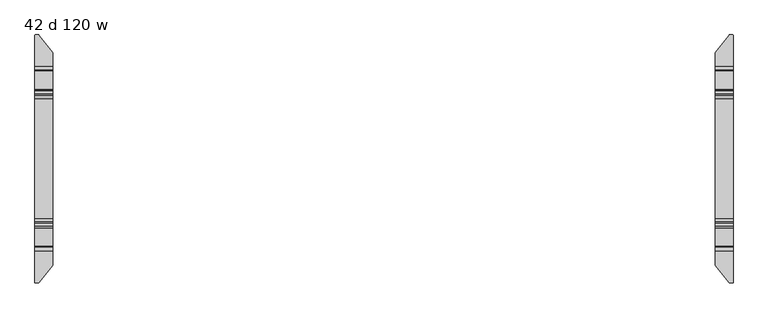
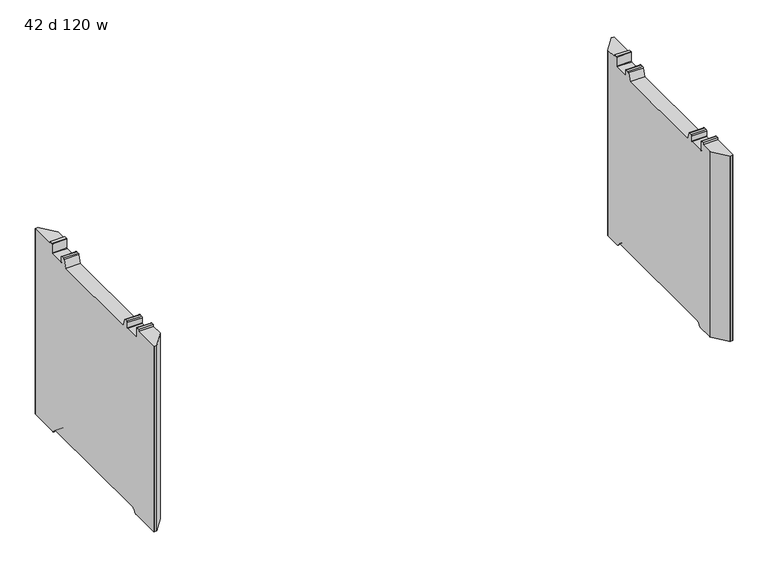
"""IFC4 building model written with IfcOpenShell, lengths in millimetres: furniture geometry, 42 d 120 w."""

from ifc_helpers import new_model, si_unit, frame, origin, place, context, project, spatial, polyline, circle_curve, source, transform, mapped, element, save
from ifc_brep_helpers import plane_surface, cylinder_surface, revolved_surface, advanced_brep


def furniture_42_d_120_w_6ad7f459(model_context):
    return source(origin(), model_context, "Body", "AdvancedBrep", [
        advanced_brep(
        [(-1475.1161014, 529.956006, 12.2237497), (-1473.4757746, 529.1624669, 12.2237497), (-1414.2991168, 454.41303, 12.2237497), (-1413.7789661, 452.9179953, 12.2237497), (-1413.7789661, 371.1587399, 12.2237497), (-1489.9632694, 371.1587399, 12.2237497), (-1489.9632694, 528.3791145, 12.2237497), (-1488.3863779, 529.956006, 12.2237497), (-1413.7789661, -452.9179953, 12.2237497), (-1414.2991168, -454.41303, 12.2237497), (-1473.4757746, -529.1624669, 12.2237497), (-1475.1161014, -529.956006, 12.2237497), (-1488.3863779, -529.956006, 12.2237497), (-1489.9632694, -528.3791145, 12.2237497), (-1489.9632694, -371.1587399, 12.2237497), (-1413.7789661, -371.1587399, 12.2237497), (-1488.3863779, 529.956006, 1021.0901447), (-1475.1161014, 529.956006, 1021.0901447), (-1489.9632694, 528.3791145, 1021.0901447), (-1489.9632694, 365.9594731, 14.3773565), (-1489.9632694, 349.4848361, 30.8519935), (-1489.9632694, 344.250421, 33.0201593), (-1489.9632694, -344.250421, 33.0201593), (-1489.9632694, -349.4848361, 30.8519935), (-1489.9632694, -365.9594731, 14.3773565), (-1489.9632694, -528.3791145, 1021.0901447), (-1489.9632694, -394.3440074, 1021.0901447), (-1489.9632694, -394.3440074, 1032.1001558), (-1489.9632694, -378.4559965, 1032.1001558), (-1489.9632694, -376.4560005, 1030.1001598), (-1489.9632694, -376.4560005, 980.6251456), (-1489.9632694, -374.4560045, 978.6251495), (-1489.9632694, -296.4560008, 978.6251495), (-1489.9632694, -294.4560002, 980.6251501), (-1489.9632694, -294.4560002, 1008.6251352), (-1489.9632694, -289.455942, 1013.6251934), (-1489.9632694, -275.9023259, 1013.6251934), (-1489.9632694, -269.935277, 1009.4470192), (-1489.9632694, -255.8052798, 970.6251291), (-1489.9632694, 255.8052798, 970.6251291), (-1489.9632694, 269.935277, 1009.4470192), (-1489.9632694, 275.9023259, 1013.6251934), (-1489.9632694, 289.455942, 1013.6251934), (-1489.9632694, 294.4560002, 1008.6251352), (-1489.9632694, 294.4560002, 980.6251501), (-1489.9632694, 296.4560008, 978.6251495), (-1489.9632694, 374.4560045, 978.6251495), (-1489.9632694, 376.4560005, 980.6251456), (-1489.9632694, 376.4560005, 1030.1001598), (-1489.9632694, 378.4559965, 1032.1001558), (-1489.9632694, 394.3440074, 1032.1001558), (-1489.9632694, 394.3440074, 1021.0901447), (-1488.3863779, -529.956006, 1021.0901447), (-1475.1161014, -529.956006, 1021.0901447), (-1473.4757746, -529.1624669, 1021.0901447), (-1414.2991168, -454.41303, 1021.0901447), (-1413.7789661, -452.9179953, 1021.0901447), (-1413.7789661, -365.9594731, 14.3773565), (-1413.7789661, -349.4848361, 30.8519935), (-1413.7789661, -344.250421, 33.0201593), (-1413.7789661, 344.250421, 33.0201593), (-1413.7789661, 349.4848361, 30.8519935), (-1413.7789661, 365.9594731, 14.3773565), (-1413.7789661, 452.9179953, 1021.0901447), (-1413.7789661, 394.3440074, 1021.0901447), (-1413.7789661, 394.3440074, 1032.1001558), (-1413.7789661, 378.4559965, 1032.1001558), (-1413.7789661, 376.4560005, 1030.1001598), (-1413.7789661, 376.4560005, 980.6251456), (-1413.7789661, 374.4560045, 978.6251495), (-1413.7789661, 296.4560008, 978.6251495), (-1413.7789661, 294.4560002, 980.6251501), (-1413.7789661, 294.4560002, 1008.6251352), (-1413.7789661, 289.455942, 1013.6251934), (-1413.7789661, 275.9023259, 1013.6251934), (-1413.7789661, 269.935277, 1009.4470192), (-1413.7789661, 255.8052798, 970.6251291), (-1413.7789661, -255.8052798, 970.6251291), (-1413.7789661, -269.935277, 1009.4470192), (-1413.7789661, -275.9023259, 1013.6251934), (-1413.7789661, -289.455942, 1013.6251934), (-1413.7789661, -294.4560002, 1008.6251352), (-1413.7789661, -294.4560002, 980.6251501), (-1413.7789661, -296.4560008, 978.6251495), (-1413.7789661, -374.4560045, 978.6251495), (-1413.7789661, -376.4560005, 980.6251456), (-1413.7789661, -376.4560005, 1030.1001598), (-1413.7789661, -378.4559965, 1032.1001558), (-1413.7789661, -394.3440074, 1032.1001558), (-1413.7789661, -394.3440074, 1021.0901447), (-1414.2991168, 454.41303, 1021.0901447), (-1473.4757746, 529.1624669, 1021.0901447)],
        [
            (0, 1, circle_curve(frame((-1475.1161014, 527.8638745, 12.2237497), z_axis=(0.0, 0.0, -1.0), x_axis=(-1.0, 0.0, 0.0)), 2.0921315)),
            (1, 2),
            (2, 3, circle_curve(frame((-1416.187581, 452.9179953, 12.2237497), z_axis=(0.0, 0.0, -1.0), x_axis=(-1.0, 0.0, 0.0)), 2.4086149)),
            (3, 4),
            (4, 5),
            (5, 6),
            (6, 7, circle_curve(frame((-1488.3863779, 528.3791145, 12.2237497), z_axis=(0.0, 0.0, -1.0), x_axis=(-1.0, 0.0, 0.0)), 1.5768915)),
            (7, 0),
            (8, 9, circle_curve(frame((-1416.187581, -452.9179953, 12.2237497), z_axis=(0.0, 0.0, -1.0), x_axis=(-1.0, 0.0, 0.0)), 2.4086149)),
            (9, 10),
            (10, 11, circle_curve(frame((-1475.1161014, -527.8638745, 12.2237497), z_axis=(0.0, 0.0, -1.0), x_axis=(-1.0, 0.0, 0.0)), 2.0921315)),
            (11, 12),
            (12, 13, circle_curve(frame((-1488.3863779, -528.3791145, 12.2237497), z_axis=(0.0, 0.0, -1.0), x_axis=(-1.0, 0.0, 0.0)), 1.5768915)),
            (13, 14),
            (14, 15),
            (15, 8),
            (7, 16),
            (16, 17),
            (17, 0),
            (6, 18),
            (18, 16, circle_curve(frame((-1488.3863779, 528.3791145, 1021.0901447), z_axis=(0.0, 0.0, -1.0), x_axis=(-1.0, 0.0, 0.0)), 1.5768915)),
            (5, 19, circle_curve(frame((-1489.9632694, 371.1587399, 19.5766232), z_axis=(-1.0, 0.0, 0.0), x_axis=(0.0, -1.0, 0.0)), 7.3528735)),
            (19, 20),
            (20, 21, circle_curve(frame((-1489.9632694, 344.250421, 25.6175784), z_axis=(1.0, 0.0, 0.0), x_axis=(0.0, -1.0, 0.0)), 7.4025809)),
            (21, 22),
            (22, 23, circle_curve(frame((-1489.9632694, -344.250421, 25.6175784), z_axis=(1.0, 0.0, 0.0), x_axis=(0.0, -1.0, 0.0)), 7.4025809)),
            (23, 24),
            (24, 14, circle_curve(frame((-1489.9632694, -371.1587399, 19.5766232), z_axis=(-1.0, 0.0, 0.0), x_axis=(0.0, -1.0, 0.0)), 7.3528735)),
            (13, 25),
            (25, 26),
            (26, 27),
            (27, 28),
            (28, 29, circle_curve(frame((-1489.9632694, -378.4559965, 1030.1001598), z_axis=(-1.0, 0.0, 0.0), x_axis=(0.0, -1.0, 0.0)), 1.999996)),
            (29, 30),
            (30, 31, circle_curve(frame((-1489.9632694, -374.4560045, 980.6251456), z_axis=(1.0, 0.0, 0.0), x_axis=(0.0, -1.0, 0.0)), 1.999996)),
            (31, 32),
            (32, 33, circle_curve(frame((-1489.9632694, -296.4560008, 980.6251501), z_axis=(1.0, 0.0, 0.0), x_axis=(0.0, -1.0, 0.0)), 2.0000006)),
            (33, 34),
            (34, 35, circle_curve(frame((-1489.9632694, -289.455942, 1008.6251352), z_axis=(-1.0, 0.0, 0.0), x_axis=(0.0, -1.0, 0.0)), 5.0000582)),
            (35, 36),
            (36, 37, circle_curve(frame((-1489.9632694, -275.9023259, 1007.2751934), z_axis=(-1.0, 0.0, 0.0), x_axis=(0.0, -1.0, 0.0)), 6.35)),
            (37, 38),
            (38, 39),
            (39, 40),
            (40, 41, circle_curve(frame((-1489.9632694, 275.9023259, 1007.2751934), z_axis=(-1.0, 0.0, 0.0), x_axis=(0.0, -1.0, 0.0)), 6.35)),
            (41, 42),
            (42, 43, circle_curve(frame((-1489.9632694, 289.455942, 1008.6251352), z_axis=(-1.0, 0.0, 0.0), x_axis=(0.0, -1.0, 0.0)), 5.0000582)),
            (43, 44),
            (44, 45, circle_curve(frame((-1489.9632694, 296.4560008, 980.6251501), z_axis=(1.0, 0.0, 0.0), x_axis=(0.0, -1.0, 0.0)), 2.0000006)),
            (45, 46),
            (46, 47, circle_curve(frame((-1489.9632694, 374.4560045, 980.6251456), z_axis=(1.0, 0.0, 0.0), x_axis=(0.0, -1.0, 0.0)), 1.999996)),
            (47, 48),
            (48, 49, circle_curve(frame((-1489.9632694, 378.4559965, 1030.1001598), z_axis=(-1.0, 0.0, 0.0), x_axis=(0.0, -1.0, 0.0)), 1.999996)),
            (49, 50),
            (50, 51),
            (51, 18),
            (12, 52),
            (52, 25, circle_curve(frame((-1488.3863779, -528.3791145, 1021.0901447), z_axis=(0.0, 0.0, -1.0), x_axis=(-1.0, 0.0, 0.0)), 1.5768915)),
            (11, 53),
            (53, 52),
            (10, 54),
            (54, 53, circle_curve(frame((-1475.1161014, -527.8638745, 1021.0901447), z_axis=(0.0, 0.0, -1.0), x_axis=(-1.0, 0.0, 0.0)), 2.0921315)),
            (9, 55),
            (55, 54),
            (8, 56),
            (56, 55, circle_curve(frame((-1416.187581, -452.9179953, 1021.0901447), z_axis=(0.0, 0.0, -1.0), x_axis=(-1.0, 0.0, 0.0)), 2.4086149)),
            (15, 57, circle_curve(frame((-1413.7789661, -371.1587399, 19.5766232), z_axis=(1.0, 0.0, 0.0), x_axis=(0.0, -1.0, 0.0)), 7.3528735)),
            (57, 58),
            (58, 59, circle_curve(frame((-1413.7789661, -344.250421, 25.6175784), z_axis=(-1.0, 0.0, 0.0), x_axis=(0.0, -1.0, 0.0)), 7.4025809)),
            (59, 60),
            (60, 61, circle_curve(frame((-1413.7789661, 344.250421, 25.6175784), z_axis=(-1.0, 0.0, 0.0), x_axis=(0.0, -1.0, 0.0)), 7.4025809)),
            (61, 62),
            (62, 4, circle_curve(frame((-1413.7789661, 371.1587399, 19.5766232), z_axis=(1.0, 0.0, 0.0), x_axis=(0.0, -1.0, 0.0)), 7.3528735)),
            (3, 63),
            (63, 64),
            (64, 65),
            (65, 66),
            (66, 67, circle_curve(frame((-1413.7789661, 378.4559965, 1030.1001598), z_axis=(1.0, 0.0, 0.0), x_axis=(0.0, -1.0, 0.0)), 1.999996)),
            (67, 68),
            (68, 69, circle_curve(frame((-1413.7789661, 374.4560045, 980.6251456), z_axis=(-1.0, 0.0, 0.0), x_axis=(0.0, -1.0, 0.0)), 1.999996)),
            (69, 70),
            (70, 71, circle_curve(frame((-1413.7789661, 296.4560008, 980.6251501), z_axis=(-1.0, 0.0, 0.0), x_axis=(0.0, -1.0, 0.0)), 2.0000006)),
            (71, 72),
            (72, 73, circle_curve(frame((-1413.7789661, 289.455942, 1008.6251352), z_axis=(1.0, 0.0, 0.0), x_axis=(0.0, -1.0, 0.0)), 5.0000582)),
            (73, 74),
            (74, 75, circle_curve(frame((-1413.7789661, 275.9023259, 1007.2751934), z_axis=(1.0, 0.0, 0.0), x_axis=(0.0, -1.0, 0.0)), 6.35)),
            (75, 76),
            (76, 77),
            (77, 78),
            (78, 79, circle_curve(frame((-1413.7789661, -275.9023259, 1007.2751934), z_axis=(1.0, 0.0, 0.0), x_axis=(0.0, -1.0, 0.0)), 6.35)),
            (79, 80),
            (80, 81, circle_curve(frame((-1413.7789661, -289.455942, 1008.6251352), z_axis=(1.0, 0.0, 0.0), x_axis=(0.0, -1.0, 0.0)), 5.0000582)),
            (81, 82),
            (82, 83, circle_curve(frame((-1413.7789661, -296.4560008, 980.6251501), z_axis=(-1.0, 0.0, 0.0), x_axis=(0.0, -1.0, 0.0)), 2.0000006)),
            (83, 84),
            (84, 85, circle_curve(frame((-1413.7789661, -374.4560045, 980.6251456), z_axis=(-1.0, 0.0, 0.0), x_axis=(0.0, -1.0, 0.0)), 1.999996)),
            (85, 86),
            (86, 87, circle_curve(frame((-1413.7789661, -378.4559965, 1030.1001598), z_axis=(1.0, 0.0, 0.0), x_axis=(0.0, -1.0, 0.0)), 1.999996)),
            (87, 88),
            (88, 89),
            (89, 56),
            (2, 90),
            (90, 63, circle_curve(frame((-1416.187581, 452.9179953, 1021.0901447), z_axis=(0.0, 0.0, -1.0), x_axis=(-1.0, 0.0, 0.0)), 2.4086149)),
            (1, 91),
            (91, 90),
            (17, 91, circle_curve(frame((-1475.1161014, 527.8638745, 1021.0901447), z_axis=(0.0, 0.0, -1.0), x_axis=(-1.0, 0.0, 0.0)), 2.0921315)),
            (50, 65),
            (64, 51),
            (89, 26),
            (88, 27),
            (87, 28),
            (86, 29),
            (85, 30),
            (84, 31),
            (83, 32),
            (82, 33),
            (81, 34),
            (80, 35),
            (79, 36),
            (78, 37),
            (77, 38),
            (76, 39),
            (75, 40),
            (74, 41),
            (73, 42),
            (72, 43),
            (71, 44),
            (70, 45),
            (69, 46),
            (68, 47),
            (67, 48),
            (66, 49),
            (19, 62),
            (61, 20),
            (60, 21),
            (59, 22),
            (58, 23),
            (57, 24),
        ],
        [
            plane_surface(frame((-1488.3863779, 529.956006, 12.2237497), z_axis=(0.0, 0.0, -1.0), x_axis=(1.0, 0.0, 0.0))),
            plane_surface(frame((-1475.1161014, 529.956006, 1037.2344355), z_axis=(0.0, 1.0, 0.0), x_axis=(0.0, 0.0, -1.0))),
            cylinder_surface(frame((-1488.3863779, 528.3791145, 12.2237497), z_axis=(0.0, 0.0, 1.0), x_axis=(-1.0, 0.0, 0.0)), 1.5768915),
            plane_surface(frame((-1489.9632694, 528.3791145, 1037.2344355), z_axis=(-1.0, 0.0, 0.0), x_axis=(0.0, 0.0, -1.0))),
            cylinder_surface(frame((-1488.3863779, -528.3791145, 12.2237497), z_axis=(0.0, 0.0, 1.0), x_axis=(-1.0, 0.0, 0.0)), 1.5768915),
            plane_surface(frame((-1488.3863779, -529.956006, 1037.2344355), z_axis=(0.0, -1.0, 0.0), x_axis=(0.0, 0.0, -1.0))),
            cylinder_surface(frame((-1475.1161014, -527.8638745, 12.2237497), z_axis=(0.0, 0.0, 1.0), x_axis=(-1.0, 0.0, 0.0)), 2.0921315),
            plane_surface(frame((-1473.4757746, -529.1624669, 1037.2344355), z_axis=(0.7840457211746543, -0.6207030748334635, 0.0), x_axis=(0.0, 0.0, -1.0))),
            cylinder_surface(frame((-1416.187581, -452.9179953, 12.2237497), z_axis=(0.0, 0.0, 1.0), x_axis=(-1.0, 0.0, 0.0)), 2.4086149),
            plane_surface(frame((-1413.7789661, -452.9179953, 1037.2344355), z_axis=(1.0, 0.0, 0.0), x_axis=(0.0, 0.0, -1.0))),
            cylinder_surface(frame((-1416.187581, 452.9179953, 12.2237497), z_axis=(0.0, 0.0, 1.0), x_axis=(-1.0, 0.0, 0.0)), 2.4086149),
            plane_surface(frame((-1414.2991168, 454.41303, 1037.2344355), z_axis=(0.7840457211746508, 0.6207030748334681, 0.0), x_axis=(0.0, 0.0, -1.0))),
            cylinder_surface(frame((-1475.1161014, 527.8638745, 12.2237497), z_axis=(0.0, 0.0, 1.0), x_axis=(-1.0, 0.0, 0.0)), 2.0921315),
            plane_surface(frame((1489.9632694, 394.3440074, 1032.1001558), z_axis=(0.0, 1.0, 0.0), x_axis=(-1.0, 0.0, 0.0))),
            plane_surface(frame((1489.9632694, 394.3440074, 1021.0901447), z_axis=(0.0, 0.0, 1.0), x_axis=(-1.0, 0.0, 0.0))),
            plane_surface(frame((1489.9632694, -531.3440027, 1021.0901447), z_axis=(0.0, 0.0, 1.0), x_axis=(-1.0, 0.0, 0.0))),
            plane_surface(frame((1489.9632694, -394.3440074, 1021.0901447), z_axis=(0.0, -1.0, 0.0), x_axis=(-1.0, 0.0, 0.0))),
            plane_surface(frame((1489.9632694, -394.3440074, 1032.1001558), z_axis=(0.0, 0.0, 1.0), x_axis=(-1.0, 0.0, 0.0))),
            cylinder_surface(frame((1489.9632694, -378.4559965, 1030.1001598), z_axis=(-1.0, 0.0, 0.0), x_axis=(0.0, -1.0, 0.0)), 1.999996),
            plane_surface(frame((1489.9632694, -376.4560005, 1030.1001598), z_axis=(0.0, 1.0, 0.0), x_axis=(-1.0, 0.0, 0.0))),
            revolved_surface(polyline([(-1413.7789661, -376.4560005, 980.6251456), (-1489.9632694, -376.4560005, 980.6251456)]), (1489.9632694, -374.4560045, 980.6251456), (1.0, 0.0, 0.0)),
            plane_surface(frame((1489.9632694, -374.4560045, 978.6251495), z_axis=(0.0, 0.0, 1.0), x_axis=(-1.0, 0.0, 0.0))),
            revolved_surface(polyline([(-1413.7789661, -298.45600140000005, 980.6251501), (-1489.9632694, -298.45600140000005, 980.6251501)]), (1489.9632694, -296.4560008, 980.6251501), (1.0, 0.0, 0.0)),
            plane_surface(frame((1489.9632694, -294.4560002, 980.6251501), z_axis=(0.0, -1.0, 0.0), x_axis=(-1.0, 0.0, 0.0))),
            cylinder_surface(frame((1489.9632694, -289.455942, 1008.6251352), z_axis=(-1.0, 0.0, 0.0), x_axis=(0.0, -1.0, 0.0)), 5.0000582),
            plane_surface(frame((1489.9632694, -289.455942, 1013.6251934), z_axis=(0.0, 0.0, 1.0), x_axis=(-1.0, 0.0, 0.0))),
            cylinder_surface(frame((1489.9632694, -275.9023259, 1007.2751934), z_axis=(-1.0, 0.0, 0.0), x_axis=(0.0, -1.0, 0.0)), 6.35),
            plane_surface(frame((1489.9632694, -269.935277, 1009.4470192), z_axis=(0.0, 0.9396927394269934, 0.34201981736179105), x_axis=(-1.0, 0.0, 0.0))),
            plane_surface(frame((1489.9632694, -255.8052798, 970.6251291), z_axis=(0.0, 0.0, 1.0), x_axis=(-1.0, 0.0, 0.0))),
            plane_surface(frame((1489.9632694, 255.8052798, 970.6251291), z_axis=(0.0, -0.9396927394269924, 0.3420198173617935), x_axis=(-1.0, 0.0, 0.0))),
            cylinder_surface(frame((1489.9632694, 275.9023259, 1007.2751934), z_axis=(-1.0, 0.0, 0.0), x_axis=(0.0, -1.0, 0.0)), 6.35),
            plane_surface(frame((1489.9632694, 275.9023259, 1013.6251934), z_axis=(0.0, 0.0, 1.0), x_axis=(-1.0, 0.0, 0.0))),
            cylinder_surface(frame((1489.9632694, 289.455942, 1008.6251352), z_axis=(-1.0, 0.0, 0.0), x_axis=(0.0, -1.0, 0.0)), 5.0000582),
            plane_surface(frame((1489.9632694, 294.4560002, 1008.6251352), z_axis=(0.0, 1.0, 0.0), x_axis=(-1.0, 0.0, 0.0))),
            revolved_surface(polyline([(-1413.7789661, 294.4560002, 980.6251501), (-1489.9632694, 294.4560002, 980.6251501)]), (1489.9632694, 296.4560008, 980.6251501), (1.0, 0.0, 0.0)),
            plane_surface(frame((1489.9632694, 296.4560008, 978.6251495), z_axis=(0.0, 0.0, 1.0), x_axis=(-1.0, 0.0, 0.0))),
            revolved_surface(polyline([(-1413.7789661, 372.4560085, 980.6251456), (-1489.9632694, 372.4560085, 980.6251456)]), (1489.9632694, 374.4560045, 980.6251456), (1.0, 0.0, 0.0)),
            plane_surface(frame((1489.9632694, 376.4560005, 980.6251456), z_axis=(0.0, -1.0, 0.0), x_axis=(-1.0, 0.0, 0.0))),
            cylinder_surface(frame((1489.9632694, 378.4559965, 1030.1001598), z_axis=(-1.0, 0.0, 0.0), x_axis=(0.0, -1.0, 0.0)), 1.999996),
            plane_surface(frame((1489.9632694, 378.4559965, 1032.1001558), z_axis=(0.0, 0.0, 1.0), x_axis=(-1.0, 0.0, 0.0))),
            plane_surface(frame((1489.9632694, 365.9594731, 14.3773565), z_axis=(0.0, -0.7071067811865475, -0.7071067811865476), x_axis=(-1.0, 0.0, 0.0))),
            revolved_surface(polyline([(-1413.7789661, 336.84784010000004, 25.6175784), (-1489.9632694, 336.84784010000004, 25.6175784)]), (1489.9632694, 344.250421, 25.6175784), (1.0, 0.0, 0.0)),
            plane_surface(frame((1489.9632694, 344.250421, 33.0201593), z_axis=(0.0, 0.0, -1.0), x_axis=(-1.0, 0.0, 0.0))),
            revolved_surface(polyline([(-1413.7789661, -351.6530019, 25.6175784), (-1489.9632694, -351.6530019, 25.6175784)]), (1489.9632694, -344.250421, 25.6175784), (1.0, 0.0, 0.0)),
            plane_surface(frame((1489.9632694, -349.4848361, 30.8519935), z_axis=(0.0, 0.7071067811865452, -0.7071067811865499), x_axis=(-1.0, 0.0, 0.0))),
            cylinder_surface(frame((1489.9632694, -371.1587399, 19.5766232), z_axis=(-1.0, 0.0, 0.0), x_axis=(0.0, -1.0, 0.0)), 7.3528735),
            cylinder_surface(frame((1489.9632694, 371.1587399, 19.5766232), z_axis=(-1.0, 0.0, 0.0), x_axis=(0.0, -1.0, 0.0)), 7.3528735),
        ],
        [
            (0, [[1, 2, 3, 4, 5, 6, 7, 8]]),
            (0, [[9, 10, 11, 12, 13, 14, 15, 16]]),
            (1, [[-8, 17, 18, 19]]),
            (2, [[-7, 20, 21, -17]]),
            (3, [[-20, -6, 22, 23, 24, 25, 26, 27, 28, -14, 29, 30, 31, 32, 33, 34, 35, 36, 37, 38, 39, 40, 41, 42, 43, 44, 45, 46, 47, 48, 49, 50, 51, 52, 53, 54, 55, 56]]),
            (4, [[-13, 57, 58, -29]]),
            (5, [[-12, 59, 60, -57]]),
            (6, [[-11, 61, 62, -59]]),
            (7, [[-10, 63, 64, -61]]),
            (8, [[-9, 65, 66, -63]]),
            (9, [[-65, -16, 67, 68, 69, 70, 71, 72, 73, -4, 74, 75, 76, 77, 78, 79, 80, 81, 82, 83, 84, 85, 86, 87, 88, 89, 90, 91, 92, 93, 94, 95, 96, 97, 98, 99, 100, 101]]),
            (10, [[-3, 102, 103, -74]]),
            (11, [[-2, 104, 105, -102]]),
            (12, [[-1, -19, 106, -104]]),
            (13, [[107, -76, 108, -55]]),
            (14, [[-108, -75, -103, -105, -106, -18, -21, -56]]),
            (15, [[109, -30, -58, -60, -62, -64, -66, -101]]),
            (16, [[-109, -100, 110, -31]]),
            (17, [[-110, -99, 111, -32]]),
            (18, [[-111, -98, 112, -33]]),
            (19, [[-112, -97, 113, -34]]),
            (20, [[-113, -96, 114, -35]]),
            (21, [[-114, -95, 115, -36]]),
            (22, [[-115, -94, 116, -37]]),
            (23, [[-116, -93, 117, -38]]),
            (24, [[-117, -92, 118, -39]]),
            (25, [[-118, -91, 119, -40]]),
            (26, [[-119, -90, 120, -41]]),
            (27, [[-120, -89, 121, -42]]),
            (28, [[-121, -88, 122, -43]]),
            (29, [[-122, -87, 123, -44]]),
            (30, [[-123, -86, 124, -45]]),
            (31, [[-124, -85, 125, -46]]),
            (32, [[-125, -84, 126, -47]]),
            (33, [[-126, -83, 127, -48]]),
            (34, [[-127, -82, 128, -49]]),
            (35, [[-128, -81, 129, -50]]),
            (36, [[-129, -80, 130, -51]]),
            (37, [[-130, -79, 131, -52]]),
            (38, [[-131, -78, 132, -53]]),
            (39, [[-107, -54, -132, -77]]),
            (40, [[133, -72, 134, -23]]),
            (41, [[-134, -71, 135, -24]]),
            (42, [[-135, -70, 136, -25]]),
            (43, [[-136, -69, 137, -26]]),
            (44, [[-137, -68, 138, -27]]),
            (45, [[-138, -67, -15, -28]]),
            (46, [[-133, -22, -5, -73]]),
        ],
    ),
        advanced_brep(
        [(1475.1161014, 529.956006, 12.2237497), (1488.3863779, 529.956006, 12.2237497), (1489.9632694, 528.3791145, 12.2237497), (1489.9632694, 371.1587399, 12.2237497), (1413.7789661, 371.1587399, 12.2237497), (1413.7789661, 452.9179953, 12.2237497), (1414.2991168, 454.41303, 12.2237497), (1473.4757746, 529.1624669, 12.2237497), (1489.9632694, -528.3791145, 12.2237497), (1488.3863779, -529.956006, 12.2237497), (1475.1161014, -529.956006, 12.2237497), (1473.4757746, -529.1624669, 12.2237497), (1414.2991168, -454.41303, 12.2237497), (1413.7789661, -452.9179953, 12.2237497), (1413.7789661, -371.1587399, 12.2237497), (1489.9632694, -371.1587399, 12.2237497), (1473.4757746, 529.1624669, 1021.0901447), (1475.1161014, 529.956006, 1021.0901447), (1414.2991168, 454.41303, 1021.0901447), (1413.7789661, 452.9179953, 1021.0901447), (1413.7789661, 365.9594731, 14.3773565), (1413.7789661, 349.4848361, 30.8519935), (1413.7789661, 344.250421, 33.0201593), (1413.7789661, -344.250421, 33.0201593), (1413.7789661, -349.4848361, 30.8519935), (1413.7789661, -365.9594731, 14.3773565), (1413.7789661, -452.9179953, 1021.0901447), (1413.7789661, -394.3440074, 1021.0901447), (1413.7789661, -394.3440074, 1032.1001558), (1413.7789661, -378.4559965, 1032.1001558), (1413.7789661, -376.4560005, 1030.1001598), (1413.7789661, -376.4560005, 980.6251456), (1413.7789661, -374.4560045, 978.6251495), (1413.7789661, -296.4560008, 978.6251495), (1413.7789661, -294.4560002, 980.6251501), (1413.7789661, -294.4560002, 1008.6251352), (1413.7789661, -289.455942, 1013.6251934), (1413.7789661, -275.9023259, 1013.6251934), (1413.7789661, -269.935277, 1009.4470192), (1413.7789661, -255.8052798, 970.6251291), (1413.7789661, 255.8052798, 970.6251291), (1413.7789661, 269.935277, 1009.4470192), (1413.7789661, 275.9023259, 1013.6251934), (1413.7789661, 289.455942, 1013.6251934), (1413.7789661, 294.4560002, 1008.6251352), (1413.7789661, 294.4560002, 980.6251501), (1413.7789661, 296.4560008, 978.6251495), (1413.7789661, 374.4560045, 978.6251495), (1413.7789661, 376.4560005, 980.6251456), (1413.7789661, 376.4560005, 1030.1001598), (1413.7789661, 378.4559965, 1032.1001558), (1413.7789661, 394.3440074, 1032.1001558), (1413.7789661, 394.3440074, 1021.0901447), (1414.2991168, -454.41303, 1021.0901447), (1473.4757746, -529.1624669, 1021.0901447), (1475.1161014, -529.956006, 1021.0901447), (1488.3863779, -529.956006, 1021.0901447), (1489.9632694, -528.3791145, 1021.0901447), (1489.9632694, -365.9594731, 14.3773565), (1489.9632694, -349.4848361, 30.8519935), (1489.9632694, -344.250421, 33.0201593), (1489.9632694, 344.250421, 33.0201593), (1489.9632694, 349.4848361, 30.8519935), (1489.9632694, 365.9594731, 14.3773565), (1489.9632694, 528.3791145, 1021.0901447), (1489.9632694, 394.3440074, 1021.0901447), (1489.9632694, 394.3440074, 1032.1001558), (1489.9632694, 378.4559965, 1032.1001558), (1489.9632694, 376.4560005, 1030.1001598), (1489.9632694, 376.4560005, 980.6251456), (1489.9632694, 374.4560045, 978.6251495), (1489.9632694, 296.4560008, 978.6251495), (1489.9632694, 294.4560002, 980.6251501), (1489.9632694, 294.4560002, 1008.6251352), (1489.9632694, 289.455942, 1013.6251934), (1489.9632694, 275.9023259, 1013.6251934), (1489.9632694, 269.935277, 1009.4470192), (1489.9632694, 255.8052798, 970.6251291), (1489.9632694, -255.8052798, 970.6251291), (1489.9632694, -269.935277, 1009.4470192), (1489.9632694, -275.9023259, 1013.6251934), (1489.9632694, -289.455942, 1013.6251934), (1489.9632694, -294.4560002, 1008.6251352), (1489.9632694, -294.4560002, 980.6251501), (1489.9632694, -296.4560008, 978.6251495), (1489.9632694, -374.4560045, 978.6251495), (1489.9632694, -376.4560005, 980.6251456), (1489.9632694, -376.4560005, 1030.1001598), (1489.9632694, -378.4559965, 1032.1001558), (1489.9632694, -394.3440074, 1032.1001558), (1489.9632694, -394.3440074, 1021.0901447), (1488.3863779, 529.956006, 1021.0901447)],
        [
            (0, 1),
            (1, 2, circle_curve(frame((1488.3863779, 528.3791145, 12.2237497), z_axis=(0.0, 0.0, -1.0), x_axis=(-1.0, 0.0, 0.0)), 1.5768915)),
            (2, 3),
            (3, 4),
            (4, 5),
            (5, 6, circle_curve(frame((1416.187581, 452.9179953, 12.2237497), z_axis=(0.0, 0.0, -1.0), x_axis=(-1.0, 0.0, 0.0)), 2.4086149)),
            (6, 7),
            (7, 0, circle_curve(frame((1475.1161014, 527.8638745, 12.2237497), z_axis=(0.0, 0.0, -1.0), x_axis=(-1.0, 0.0, 0.0)), 2.0921315)),
            (8, 9, circle_curve(frame((1488.3863779, -528.3791145, 12.2237497), z_axis=(0.0, 0.0, -1.0), x_axis=(-1.0, 0.0, 0.0)), 1.5768915)),
            (9, 10),
            (10, 11, circle_curve(frame((1475.1161014, -527.8638745, 12.2237497), z_axis=(0.0, 0.0, -1.0), x_axis=(-1.0, 0.0, 0.0)), 2.0921315)),
            (11, 12),
            (12, 13, circle_curve(frame((1416.187581, -452.9179953, 12.2237497), z_axis=(0.0, 0.0, -1.0), x_axis=(-1.0, 0.0, 0.0)), 2.4086149)),
            (13, 14),
            (14, 15),
            (15, 8),
            (7, 16),
            (16, 17, circle_curve(frame((1475.1161014, 527.8638745, 1021.0901447), z_axis=(0.0, 0.0, -1.0), x_axis=(-1.0, 0.0, 0.0)), 2.0921315)),
            (17, 0),
            (6, 18),
            (18, 16),
            (5, 19),
            (19, 18, circle_curve(frame((1416.187581, 452.9179953, 1021.0901447), z_axis=(0.0, 0.0, -1.0), x_axis=(-1.0, 0.0, 0.0)), 2.4086149)),
            (4, 20, circle_curve(frame((1413.7789661, 371.1587399, 19.5766232), z_axis=(-1.0, 0.0, 0.0), x_axis=(0.0, -1.0, 0.0)), 7.3528735)),
            (20, 21),
            (21, 22, circle_curve(frame((1413.7789661, 344.250421, 25.6175784), z_axis=(1.0, 0.0, 0.0), x_axis=(0.0, -1.0, 0.0)), 7.4025809)),
            (22, 23),
            (23, 24, circle_curve(frame((1413.7789661, -344.250421, 25.6175784), z_axis=(1.0, 0.0, 0.0), x_axis=(0.0, -1.0, 0.0)), 7.4025809)),
            (24, 25),
            (25, 14, circle_curve(frame((1413.7789661, -371.1587399, 19.5766232), z_axis=(-1.0, 0.0, 0.0), x_axis=(0.0, -1.0, 0.0)), 7.3528735)),
            (13, 26),
            (26, 27),
            (27, 28),
            (28, 29),
            (29, 30, circle_curve(frame((1413.7789661, -378.4559965, 1030.1001598), z_axis=(-1.0, 0.0, 0.0), x_axis=(0.0, -1.0, 0.0)), 1.999996)),
            (30, 31),
            (31, 32, circle_curve(frame((1413.7789661, -374.4560045, 980.6251456), z_axis=(1.0, 0.0, 0.0), x_axis=(0.0, -1.0, 0.0)), 1.999996)),
            (32, 33),
            (33, 34, circle_curve(frame((1413.7789661, -296.4560008, 980.6251501), z_axis=(1.0, 0.0, 0.0), x_axis=(0.0, -1.0, 0.0)), 2.0000006)),
            (34, 35),
            (35, 36, circle_curve(frame((1413.7789661, -289.455942, 1008.6251352), z_axis=(-1.0, 0.0, 0.0), x_axis=(0.0, -1.0, 0.0)), 5.0000582)),
            (36, 37),
            (37, 38, circle_curve(frame((1413.7789661, -275.9023259, 1007.2751934), z_axis=(-1.0, 0.0, 0.0), x_axis=(0.0, -1.0, 0.0)), 6.35)),
            (38, 39),
            (39, 40),
            (40, 41),
            (41, 42, circle_curve(frame((1413.7789661, 275.9023259, 1007.2751934), z_axis=(-1.0, 0.0, 0.0), x_axis=(0.0, -1.0, 0.0)), 6.35)),
            (42, 43),
            (43, 44, circle_curve(frame((1413.7789661, 289.455942, 1008.6251352), z_axis=(-1.0, 0.0, 0.0), x_axis=(0.0, -1.0, 0.0)), 5.0000582)),
            (44, 45),
            (45, 46, circle_curve(frame((1413.7789661, 296.4560008, 980.6251501), z_axis=(1.0, 0.0, 0.0), x_axis=(0.0, -1.0, 0.0)), 2.0000006)),
            (46, 47),
            (47, 48, circle_curve(frame((1413.7789661, 374.4560045, 980.6251456), z_axis=(1.0, 0.0, 0.0), x_axis=(0.0, -1.0, 0.0)), 1.999996)),
            (48, 49),
            (49, 50, circle_curve(frame((1413.7789661, 378.4559965, 1030.1001598), z_axis=(-1.0, 0.0, 0.0), x_axis=(0.0, -1.0, 0.0)), 1.999996)),
            (50, 51),
            (51, 52),
            (52, 19),
            (12, 53),
            (53, 26, circle_curve(frame((1416.187581, -452.9179953, 1021.0901447), z_axis=(0.0, 0.0, -1.0), x_axis=(-1.0, 0.0, 0.0)), 2.4086149)),
            (11, 54),
            (54, 53),
            (10, 55),
            (55, 54, circle_curve(frame((1475.1161014, -527.8638745, 1021.0901447), z_axis=(0.0, 0.0, -1.0), x_axis=(-1.0, 0.0, 0.0)), 2.0921315)),
            (9, 56),
            (56, 55),
            (8, 57),
            (57, 56, circle_curve(frame((1488.3863779, -528.3791145, 1021.0901447), z_axis=(0.0, 0.0, -1.0), x_axis=(-1.0, 0.0, 0.0)), 1.5768915)),
            (15, 58, circle_curve(frame((1489.9632694, -371.1587399, 19.5766232), z_axis=(1.0, 0.0, 0.0), x_axis=(0.0, -1.0, 0.0)), 7.3528735)),
            (58, 59),
            (59, 60, circle_curve(frame((1489.9632694, -344.250421, 25.6175784), z_axis=(-1.0, 0.0, 0.0), x_axis=(0.0, -1.0, 0.0)), 7.4025809)),
            (60, 61),
            (61, 62, circle_curve(frame((1489.9632694, 344.250421, 25.6175784), z_axis=(-1.0, 0.0, 0.0), x_axis=(0.0, -1.0, 0.0)), 7.4025809)),
            (62, 63),
            (63, 3, circle_curve(frame((1489.9632694, 371.1587399, 19.5766232), z_axis=(1.0, 0.0, 0.0), x_axis=(0.0, -1.0, 0.0)), 7.3528735)),
            (2, 64),
            (64, 65),
            (65, 66),
            (66, 67),
            (67, 68, circle_curve(frame((1489.9632694, 378.4559965, 1030.1001598), z_axis=(1.0, 0.0, 0.0), x_axis=(0.0, -1.0, 0.0)), 1.999996)),
            (68, 69),
            (69, 70, circle_curve(frame((1489.9632694, 374.4560045, 980.6251456), z_axis=(-1.0, 0.0, 0.0), x_axis=(0.0, -1.0, 0.0)), 1.999996)),
            (70, 71),
            (71, 72, circle_curve(frame((1489.9632694, 296.4560008, 980.6251501), z_axis=(-1.0, 0.0, 0.0), x_axis=(0.0, -1.0, 0.0)), 2.0000006)),
            (72, 73),
            (73, 74, circle_curve(frame((1489.9632694, 289.455942, 1008.6251352), z_axis=(1.0, 0.0, 0.0), x_axis=(0.0, -1.0, 0.0)), 5.0000582)),
            (74, 75),
            (75, 76, circle_curve(frame((1489.9632694, 275.9023259, 1007.2751934), z_axis=(1.0, 0.0, 0.0), x_axis=(0.0, -1.0, 0.0)), 6.35)),
            (76, 77),
            (77, 78),
            (78, 79),
            (79, 80, circle_curve(frame((1489.9632694, -275.9023259, 1007.2751934), z_axis=(1.0, 0.0, 0.0), x_axis=(0.0, -1.0, 0.0)), 6.35)),
            (80, 81),
            (81, 82, circle_curve(frame((1489.9632694, -289.455942, 1008.6251352), z_axis=(1.0, 0.0, 0.0), x_axis=(0.0, -1.0, 0.0)), 5.0000582)),
            (82, 83),
            (83, 84, circle_curve(frame((1489.9632694, -296.4560008, 980.6251501), z_axis=(-1.0, 0.0, 0.0), x_axis=(0.0, -1.0, 0.0)), 2.0000006)),
            (84, 85),
            (85, 86, circle_curve(frame((1489.9632694, -374.4560045, 980.6251456), z_axis=(-1.0, 0.0, 0.0), x_axis=(0.0, -1.0, 0.0)), 1.999996)),
            (86, 87),
            (87, 88, circle_curve(frame((1489.9632694, -378.4559965, 1030.1001598), z_axis=(1.0, 0.0, 0.0), x_axis=(0.0, -1.0, 0.0)), 1.999996)),
            (88, 89),
            (89, 90),
            (90, 57),
            (1, 91),
            (91, 64, circle_curve(frame((1488.3863779, 528.3791145, 1021.0901447), z_axis=(0.0, 0.0, -1.0), x_axis=(-1.0, 0.0, 0.0)), 1.5768915)),
            (17, 91),
            (51, 66),
            (65, 52),
            (90, 27),
            (89, 28),
            (88, 29),
            (87, 30),
            (86, 31),
            (85, 32),
            (84, 33),
            (83, 34),
            (82, 35),
            (81, 36),
            (80, 37),
            (79, 38),
            (78, 39),
            (77, 40),
            (76, 41),
            (75, 42),
            (74, 43),
            (73, 44),
            (72, 45),
            (71, 46),
            (70, 47),
            (69, 48),
            (68, 49),
            (67, 50),
            (20, 63),
            (62, 21),
            (61, 22),
            (60, 23),
            (59, 24),
            (58, 25),
        ],
        [
            plane_surface(frame((-1488.3863779, 529.956006, 12.2237497), z_axis=(0.0, 0.0, -1.0), x_axis=(1.0, 0.0, 0.0))),
            cylinder_surface(frame((1475.1161014, 527.8638745, 12.2237497), z_axis=(0.0, 0.0, 1.0), x_axis=(-1.0, 0.0, 0.0)), 2.0921315),
            plane_surface(frame((1473.4757746, 529.1624669, 1037.2344355), z_axis=(-0.7840457211746783, 0.6207030748334332, 0.0), x_axis=(0.0, 0.0, -1.0))),
            cylinder_surface(frame((1416.187581, 452.9179953, 12.2237497), z_axis=(0.0, 0.0, 1.0), x_axis=(-1.0, 0.0, 0.0)), 2.4086149),
            plane_surface(frame((1413.7789661, 452.9179953, 1037.2344355), z_axis=(-1.0, 0.0, 0.0), x_axis=(0.0, 0.0, -1.0))),
            cylinder_surface(frame((1416.187581, -452.9179953, 12.2237497), z_axis=(0.0, 0.0, 1.0), x_axis=(-1.0, 0.0, 0.0)), 2.4086149),
            plane_surface(frame((1414.2991168, -454.41303, 1037.2344355), z_axis=(-0.7840457211745886, -0.6207030748335467, 0.0), x_axis=(0.0, 0.0, -1.0))),
            cylinder_surface(frame((1475.1161014, -527.8638745, 12.2237497), z_axis=(0.0, 0.0, 1.0), x_axis=(-1.0, 0.0, 0.0)), 2.0921315),
            plane_surface(frame((1475.1161014, -529.956006, 1037.2344355), z_axis=(0.0, -1.0, 0.0), x_axis=(0.0, 0.0, -1.0))),
            cylinder_surface(frame((1488.3863779, -528.3791145, 12.2237497), z_axis=(0.0, 0.0, 1.0), x_axis=(-1.0, 0.0, 0.0)), 1.5768915),
            plane_surface(frame((1489.9632694, -528.3791145, 1037.2344355), z_axis=(1.0, 0.0, 0.0), x_axis=(0.0, 0.0, -1.0))),
            cylinder_surface(frame((1488.3863779, 528.3791145, 12.2237497), z_axis=(0.0, 0.0, 1.0), x_axis=(-1.0, 0.0, 0.0)), 1.5768915),
            plane_surface(frame((1488.3863779, 529.956006, 1037.2344355), z_axis=(0.0, 1.0, 0.0), x_axis=(0.0, 0.0, -1.0))),
            plane_surface(frame((1489.9632694, 394.3440074, 1032.1001558), z_axis=(0.0, 1.0, 0.0), x_axis=(-1.0, 0.0, 0.0))),
            plane_surface(frame((1489.9632694, 394.3440074, 1021.0901447), z_axis=(0.0, 0.0, 1.0), x_axis=(-1.0, 0.0, 0.0))),
            plane_surface(frame((1489.9632694, -531.3440027, 1021.0901447), z_axis=(0.0, 0.0, 1.0), x_axis=(-1.0, 0.0, 0.0))),
            plane_surface(frame((1489.9632694, -394.3440074, 1021.0901447), z_axis=(0.0, -1.0, 0.0), x_axis=(-1.0, 0.0, 0.0))),
            plane_surface(frame((1489.9632694, -394.3440074, 1032.1001558), z_axis=(0.0, 0.0, 1.0), x_axis=(-1.0, 0.0, 0.0))),
            cylinder_surface(frame((1489.9632694, -378.4559965, 1030.1001598), z_axis=(-1.0, 0.0, 0.0), x_axis=(0.0, -1.0, 0.0)), 1.999996),
            plane_surface(frame((1489.9632694, -376.4560005, 1030.1001598), z_axis=(0.0, 1.0, 0.0), x_axis=(-1.0, 0.0, 0.0))),
            revolved_surface(polyline([(1489.9632694, -376.4560005, 980.6251456), (1413.7789661, -376.4560005, 980.6251456)]), (1489.9632694, -374.4560045, 980.6251456), (1.0, 0.0, 0.0)),
            plane_surface(frame((1489.9632694, -374.4560045, 978.6251495), z_axis=(0.0, 0.0, 1.0), x_axis=(-1.0, 0.0, 0.0))),
            revolved_surface(polyline([(1489.9632694, -298.45600140000005, 980.6251501), (1413.7789661, -298.45600140000005, 980.6251501)]), (1489.9632694, -296.4560008, 980.6251501), (1.0, 0.0, 0.0)),
            plane_surface(frame((1489.9632694, -294.4560002, 980.6251501), z_axis=(0.0, -1.0, 0.0), x_axis=(-1.0, 0.0, 0.0))),
            cylinder_surface(frame((1489.9632694, -289.455942, 1008.6251352), z_axis=(-1.0, 0.0, 0.0), x_axis=(0.0, -1.0, 0.0)), 5.0000582),
            plane_surface(frame((1489.9632694, -289.455942, 1013.6251934), z_axis=(0.0, 0.0, 1.0), x_axis=(-1.0, 0.0, 0.0))),
            cylinder_surface(frame((1489.9632694, -275.9023259, 1007.2751934), z_axis=(-1.0, 0.0, 0.0), x_axis=(0.0, -1.0, 0.0)), 6.35),
            plane_surface(frame((1489.9632694, -269.935277, 1009.4470192), z_axis=(0.0, 0.9396927394269934, 0.34201981736179105), x_axis=(-1.0, 0.0, 0.0))),
            plane_surface(frame((1489.9632694, -255.8052798, 970.6251291), z_axis=(0.0, 0.0, 1.0), x_axis=(-1.0, 0.0, 0.0))),
            plane_surface(frame((1489.9632694, 255.8052798, 970.6251291), z_axis=(0.0, -0.9396927394269924, 0.3420198173617935), x_axis=(-1.0, 0.0, 0.0))),
            cylinder_surface(frame((1489.9632694, 275.9023259, 1007.2751934), z_axis=(-1.0, 0.0, 0.0), x_axis=(0.0, -1.0, 0.0)), 6.35),
            plane_surface(frame((1489.9632694, 275.9023259, 1013.6251934), z_axis=(0.0, 0.0, 1.0), x_axis=(-1.0, 0.0, 0.0))),
            cylinder_surface(frame((1489.9632694, 289.455942, 1008.6251352), z_axis=(-1.0, 0.0, 0.0), x_axis=(0.0, -1.0, 0.0)), 5.0000582),
            plane_surface(frame((1489.9632694, 294.4560002, 1008.6251352), z_axis=(0.0, 1.0, 0.0), x_axis=(-1.0, 0.0, 0.0))),
            revolved_surface(polyline([(1489.9632694, 294.4560002, 980.6251501), (1413.7789661, 294.4560002, 980.6251501)]), (1489.9632694, 296.4560008, 980.6251501), (1.0, 0.0, 0.0)),
            plane_surface(frame((1489.9632694, 296.4560008, 978.6251495), z_axis=(0.0, 0.0, 1.0), x_axis=(-1.0, 0.0, 0.0))),
            revolved_surface(polyline([(1489.9632694, 372.4560085, 980.6251456), (1413.7789661, 372.4560085, 980.6251456)]), (1489.9632694, 374.4560045, 980.6251456), (1.0, 0.0, 0.0)),
            plane_surface(frame((1489.9632694, 376.4560005, 980.6251456), z_axis=(0.0, -1.0, 0.0), x_axis=(-1.0, 0.0, 0.0))),
            cylinder_surface(frame((1489.9632694, 378.4559965, 1030.1001598), z_axis=(-1.0, 0.0, 0.0), x_axis=(0.0, -1.0, 0.0)), 1.999996),
            plane_surface(frame((1489.9632694, 378.4559965, 1032.1001558), z_axis=(0.0, 0.0, 1.0), x_axis=(-1.0, 0.0, 0.0))),
            plane_surface(frame((1489.9632694, 365.9594731, 14.3773565), z_axis=(0.0, -0.7071067811865475, -0.7071067811865476), x_axis=(-1.0, 0.0, 0.0))),
            revolved_surface(polyline([(1489.9632694, 336.84784010000004, 25.6175784), (1413.7789661, 336.84784010000004, 25.6175784)]), (1489.9632694, 344.250421, 25.6175784), (1.0, 0.0, 0.0)),
            plane_surface(frame((1489.9632694, 344.250421, 33.0201593), z_axis=(0.0, 0.0, -1.0), x_axis=(-1.0, 0.0, 0.0))),
            revolved_surface(polyline([(1489.9632694, -351.6530019, 25.6175784), (1413.7789661, -351.6530019, 25.6175784)]), (1489.9632694, -344.250421, 25.6175784), (1.0, 0.0, 0.0)),
            plane_surface(frame((1489.9632694, -349.4848361, 30.8519935), z_axis=(0.0, 0.7071067811865452, -0.7071067811865499), x_axis=(-1.0, 0.0, 0.0))),
            cylinder_surface(frame((1489.9632694, -371.1587399, 19.5766232), z_axis=(-1.0, 0.0, 0.0), x_axis=(0.0, -1.0, 0.0)), 7.3528735),
            cylinder_surface(frame((1489.9632694, 371.1587399, 19.5766232), z_axis=(-1.0, 0.0, 0.0), x_axis=(0.0, -1.0, 0.0)), 7.3528735),
        ],
        [
            (0, [[1, 2, 3, 4, 5, 6, 7, 8]]),
            (0, [[9, 10, 11, 12, 13, 14, 15, 16]]),
            (1, [[-8, 17, 18, 19]]),
            (2, [[-7, 20, 21, -17]]),
            (3, [[-6, 22, 23, -20]]),
            (4, [[-22, -5, 24, 25, 26, 27, 28, 29, 30, -14, 31, 32, 33, 34, 35, 36, 37, 38, 39, 40, 41, 42, 43, 44, 45, 46, 47, 48, 49, 50, 51, 52, 53, 54, 55, 56, 57, 58]]),
            (5, [[-13, 59, 60, -31]]),
            (6, [[-12, 61, 62, -59]]),
            (7, [[-11, 63, 64, -61]]),
            (8, [[-10, 65, 66, -63]]),
            (9, [[-9, 67, 68, -65]]),
            (10, [[-67, -16, 69, 70, 71, 72, 73, 74, 75, -3, 76, 77, 78, 79, 80, 81, 82, 83, 84, 85, 86, 87, 88, 89, 90, 91, 92, 93, 94, 95, 96, 97, 98, 99, 100, 101, 102, 103]]),
            (11, [[-2, 104, 105, -76]]),
            (12, [[-1, -19, 106, -104]]),
            (13, [[107, -78, 108, -57]]),
            (14, [[-108, -77, -105, -106, -18, -21, -23, -58]]),
            (15, [[109, -32, -60, -62, -64, -66, -68, -103]]),
            (16, [[-109, -102, 110, -33]]),
            (17, [[-110, -101, 111, -34]]),
            (18, [[-111, -100, 112, -35]]),
            (19, [[-112, -99, 113, -36]]),
            (20, [[-113, -98, 114, -37]]),
            (21, [[-114, -97, 115, -38]]),
            (22, [[-115, -96, 116, -39]]),
            (23, [[-116, -95, 117, -40]]),
            (24, [[-117, -94, 118, -41]]),
            (25, [[-118, -93, 119, -42]]),
            (26, [[-119, -92, 120, -43]]),
            (27, [[-120, -91, 121, -44]]),
            (28, [[-121, -90, 122, -45]]),
            (29, [[-122, -89, 123, -46]]),
            (30, [[-123, -88, 124, -47]]),
            (31, [[-124, -87, 125, -48]]),
            (32, [[-125, -86, 126, -49]]),
            (33, [[-126, -85, 127, -50]]),
            (34, [[-127, -84, 128, -51]]),
            (35, [[-128, -83, 129, -52]]),
            (36, [[-129, -82, 130, -53]]),
            (37, [[-130, -81, 131, -54]]),
            (38, [[-131, -80, 132, -55]]),
            (39, [[-107, -56, -132, -79]]),
            (40, [[133, -74, 134, -25]]),
            (41, [[-134, -73, 135, -26]]),
            (42, [[-135, -72, 136, -27]]),
            (43, [[-136, -71, 137, -28]]),
            (44, [[-137, -70, 138, -29]]),
            (45, [[-138, -69, -15, -30]]),
            (46, [[-133, -24, -4, -75]]),
        ],
    ),
    ])


if __name__ == "__main__":
    model = new_model("IFC4")
    model_context = context("Model", 3, world=origin())
    ifc_project = project(units=[si_unit("LENGTHUNIT", "METRE", prefix="MILLI")], contexts=[model_context])
    site = spatial("IfcSite", under=ifc_project)
    building = spatial("IfcBuilding", under=site)
    placement = place(None, origin())
    furniture_42_d_120_w_shape = furniture_42_d_120_w_6ad7f459(model_context)
    element("IfcFurniture", 1, ObjectType="42 d 120 w", at=placement, inside=building, context=model_context, shape_type="MappedRepresentation", body=[
        mapped(furniture_42_d_120_w_shape, transform((0.0, 0.0, 0.0), x_axis=(1.0, 0.0, 0.0), y_axis=(0.0, 1.0, 0.0), z_axis=(0.0, 0.0, 1.0))),
    ])
    save(model, "model.ifc")
